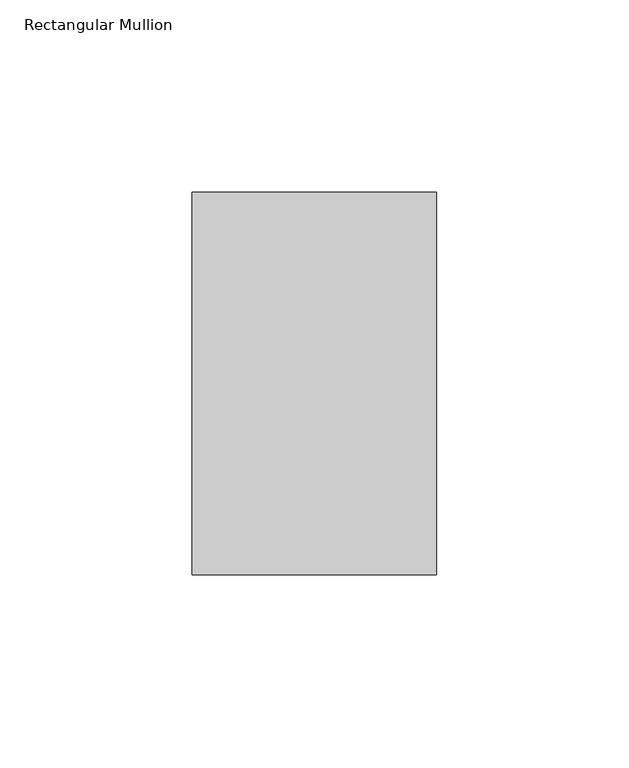
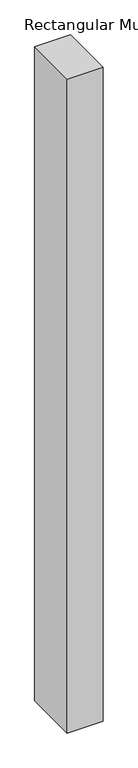
"""IFC4 building model written with IfcOpenShell, lengths in millimetres: member geometry, Rectangular Mullion."""

from ifc_helpers import new_model, si_unit, frame, origin, place, context, project, spatial, polyline, outline, extrude, source, transform, mapped, element, save


def rectangular_mullion_eb4e443e(model_context):
    return source(origin(), model_context, "Body", "SweptSolid", [
        extrude(outline(polyline([(31.75, 138.7038437), (31.75, 39.3898437), (-31.75, 39.3898437), (-31.75, 138.7038437), (31.75, 138.7038437)])), frame((0.0, 0.0, -1219.2), z_axis=(0.0, 0.0, 1.0), x_axis=(1.0, 0.0, 0.0)), (0.0, 0.0, 1.0), 1219.2),
    ])


if __name__ == "__main__":
    model = new_model("IFC4")
    model_context = context("Model", 3, world=origin())
    ifc_project = project(units=[si_unit("LENGTHUNIT", "METRE", prefix="MILLI")], contexts=[model_context])
    site = spatial("IfcSite", under=ifc_project)
    building = spatial("IfcBuilding", under=site)
    placement = place(None, origin())
    rectangular_mullion_shape = rectangular_mullion_eb4e443e(model_context)
    element("IfcMember", 1, ObjectType="Rectangular Mullion", at=placement, inside=building, context=model_context, shape_type="MappedRepresentation", body=[
        mapped(rectangular_mullion_shape, transform((0.0, 0.0, 0.0), x_axis=(1.0, 0.0, 0.0), y_axis=(0.0, 1.0, 0.0), z_axis=(0.0, 0.0, 1.0))),
    ])
    save(model, "model.ifc")
